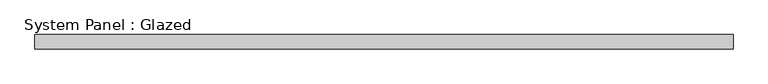
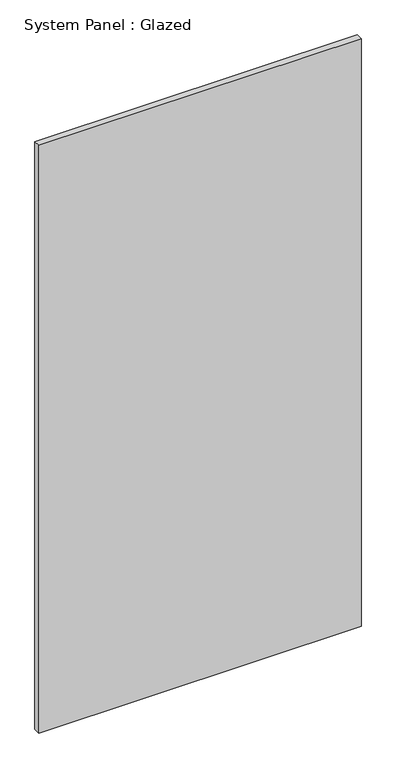
"""IFC4 building model written with IfcOpenShell, lengths in millimetres: plate geometry, System Panel : Glazed."""

from ifc_helpers import new_model, si_unit, origin, origin_with_axes, place, context, project, spatial, polyline, outline, extrude, source, transform, mapped, element, save


def system_panel_glazed_915ff01b(model_context):
    return source(origin(), model_context, "Body", "SweptSolid", [
        extrude(outline(polyline([(615.95, 19.05), (-615.95, 19.05), (-615.95, 44.45), (615.95, 44.45), (615.95, 19.05)])), origin_with_axes(), (0.0, 0.0, 1.0), 2374.9),
    ])


if __name__ == "__main__":
    model = new_model("IFC4")
    model_context = context("Model", 3, world=origin())
    ifc_project = project(units=[si_unit("LENGTHUNIT", "METRE", prefix="MILLI")], contexts=[model_context])
    site = spatial("IfcSite", under=ifc_project)
    building = spatial("IfcBuilding", under=site)
    placement = place(None, origin())
    system_panel_glazed_shape = system_panel_glazed_915ff01b(model_context)
    element("IfcPlate", 1, ObjectType="System Panel : Glazed", at=placement, inside=building, context=model_context, shape_type="MappedRepresentation", body=[
        mapped(system_panel_glazed_shape, transform((0.0, 0.0, 0.0), x_axis=(1.0, 0.0, 0.0), y_axis=(0.0, 1.0, 0.0), z_axis=(0.0, 0.0, 1.0))),
    ])
    save(model, "model.ifc")
